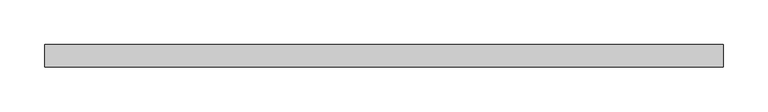
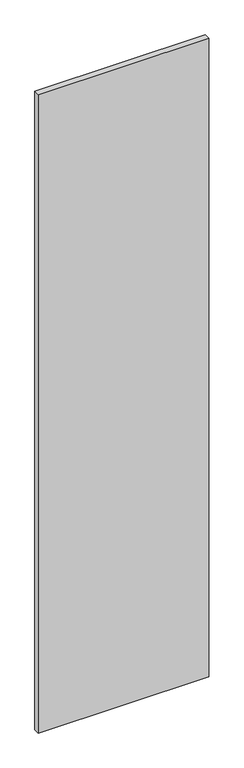
"""IFC4 building model written with IfcOpenShell, lengths in millimetres: plate geometry."""

from ifc_helpers import new_model, si_unit, origin, origin_with_axes, place, context, project, spatial, polyline, outline, extrude, source, transform, mapped, element, save


def plate_80f6fde1(model_context):
    return source(origin(), model_context, "Body", "SweptSolid", [
        extrude(outline(polyline([(379.0470052, 24.5), (-379.0470052, 24.5), (-379.0470052, 49.5), (379.0470052, 49.5), (379.0470052, 24.5)])), origin_with_axes(), (0.0, 0.0, 1.0), 3000.0),
    ])


if __name__ == "__main__":
    model = new_model("IFC4")
    model_context = context("Model", 3, world=origin())
    ifc_project = project(units=[si_unit("LENGTHUNIT", "METRE", prefix="MILLI")], contexts=[model_context])
    site = spatial("IfcSite", under=ifc_project)
    building = spatial("IfcBuilding", under=site)
    placement = place(None, origin())
    plate_shape = plate_80f6fde1(model_context)
    element("IfcPlate", 1, at=placement, inside=building, context=model_context, shape_type="MappedRepresentation", body=[
        mapped(plate_shape, transform((0.0, 0.0, 0.0), x_axis=(1.0, 0.0, 0.0), y_axis=(0.0, 1.0, 0.0), z_axis=(0.0, 0.0, 1.0))),
    ])
    save(model, "model.ifc")
